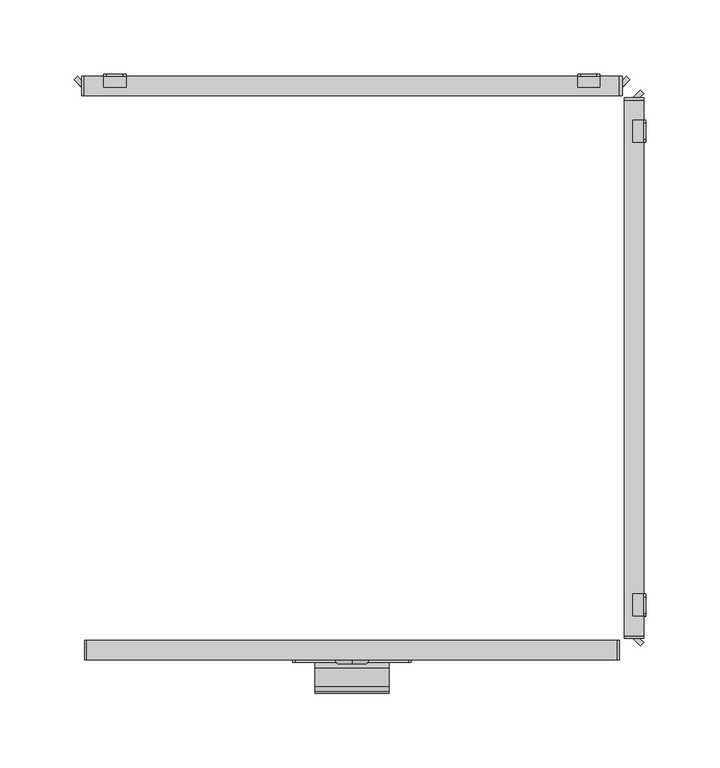
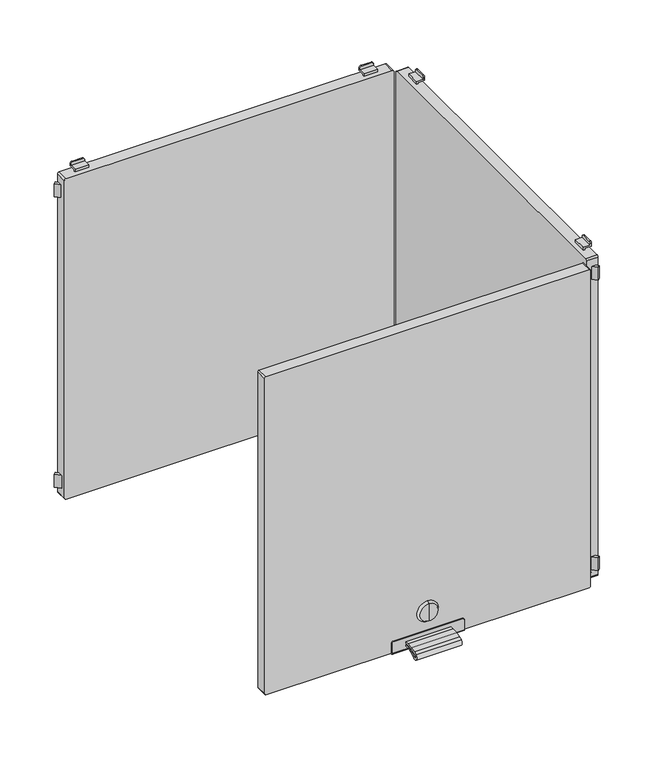
"""IFC4 building model written with IfcOpenShell, lengths in millimetres: furniture geometry."""

from ifc_helpers import new_model, si_unit, point, frame, frame_2d, origin, place, context, project, spatial, polyline, circle_curve, trimmed, segment, composite_curve, outline, extrude, source, transform, mapped, element, save
from ifc_brep_helpers import plane_surface, cylinder_surface, revolved_surface, advanced_brep


def furniture_a2011764(model_context):
    return source(origin(), model_context, "Body", "SolidModel", [
        extrude(outline(composite_curve([segment(polyline([(-202.226909, 930.4286545), (-198.5, 930.4286545), (-198.5, 928.5286545), (-202.226909, 928.5286545)]), True, "CONTINUOUS"), segment(trimmed(circle_curve(frame_2d((-202.226909, 886.4886922)), 42.0399623), [point((-202.226909, 928.5286545))], [point((-214.4555436, 926.710812))], True, "CARTESIAN"), True, "CONTINUOUS"), segment(trimmed(circle_curve(frame_2d((-212.0259096, 918.7193203)), 8.352668), [point((-214.4555436, 926.710812))], [point((-216.9670362, 925.4537341))], True, "CARTESIAN"), True, "CONTINUOUS"), segment(trimmed(circle_curve(frame_2d((-215.7726745, 923.8259018)), 2.0189943), [point((-216.9670362, 925.4537341))], [point((-214.4167634, 922.3299595))], True, "CARTESIAN"), True, "CONTINUOUS"), segment(trimmed(circle_curve(frame_2d((-202.2269079, 908.8812021)), 18.1510786), [point((-214.4167634, 922.3299595))], [point((-202.2269079, 927.0322806))], False, "CARTESIAN"), True, "CONTINUOUS"), segment(polyline([(-202.2269079, 927.0322806), (-198.5, 927.0322806), (-198.5, 925.1322806), (-202.2269079, 925.1322806)]), True, "CONTINUOUS"), segment(trimmed(circle_curve(frame_2d((-202.2269079, 908.8812021)), 16.2510786), [point((-202.2269079, 925.1322806))], [point((-213.1407662, 920.9221843))], True, "CARTESIAN"), True, "CONTINUOUS"), segment(trimmed(circle_curve(frame_2d((-215.7726745, 923.8259018)), 3.9189943), [point((-213.1407662, 920.9221843))], [point((-218.0910053, 926.9856263))], False, "CARTESIAN"), True, "CONTINUOUS"), segment(trimmed(circle_curve(frame_2d((-212.0259096, 918.7193203)), 10.252668), [point((-218.0910053, 926.9856263))], [point((-215.0082179, 928.5286545))], False, "CARTESIAN"), True, "CONTINUOUS"), segment(trimmed(circle_curve(frame_2d((-202.226909, 886.4886922)), 43.9399623), [point((-215.0082179, 928.5286545))], [point((-202.226909, 930.4286545))], False, "CARTESIAN"), True, "CONTINUOUS")], self_intersect=False)), frame((-25.0, 0.0, 0.0), z_axis=(1.0, 0.0, 0.0), x_axis=(0.0, 1.0, 0.0)), (0.0, 0.0, 1.0), 50.0),
        advanced_brep(
        [(0.0, -199.7, 956.6837841), (0.0, -199.7, 966.6265951), (0.0, -199.7, 946.740973), (0.0, -197.0, 944.8059292), (0.0, -197.0, 968.5616389), (0.0, -197.0, 956.6837841)],
        [
            (0, 1),
            (1, 2, circle_curve(frame((0.0, -199.7, 956.6837841), z_axis=(0.0, -1.0, 0.0), x_axis=(0.0, 0.0, 1.0)), 9.9428111)),
            (2, 0),
            (2, 1, circle_curve(frame((0.0, -199.7, 956.6837841), z_axis=(0.0, -1.0, 0.0), x_axis=(0.0, 0.0, 1.0)), 9.9428111)),
            (3, 4, circle_curve(frame((0.0, -197.0, 956.6837841), z_axis=(0.0, 1.0, 0.0), x_axis=(0.0, 0.0, 1.0)), 11.8778548)),
            (4, 5),
            (5, 3),
            (4, 3, circle_curve(frame((0.0, -197.0, 956.6837841), z_axis=(0.0, 1.0, 0.0), x_axis=(0.0, 0.0, 1.0)), 11.8778548)),
            (1, 4),
            (3, 2),
        ],
        [
            plane_surface(frame((0.0, -199.7, 956.6837841), z_axis=(0.0, -1.0, 0.0), x_axis=(0.0, 0.0, 1.0))),
            plane_surface(frame((0.0, -197.0, 956.6837841), z_axis=(0.0, 1.0, 0.0), x_axis=(0.0, 0.0, 1.0))),
            revolved_surface(polyline([(0.0, -197.0, 968.5616389), (0.0, -199.7, 966.6265951)]), (0.0, -202.2563621, 956.6837841), (0.0, -1.0, 0.0)),
        ],
        [
            (0, [[1, 2, 3]]),
            (0, [[-3, 4, -1]]),
            (1, [[5, 6, 7]]),
            (1, [[8, -7, -6]]),
            (2, [[-2, 9, -5, 10]]),
            (2, [[-4, -10, -8, -9]]),
        ],
    ),
        advanced_brep(
        [(38.2, -198.5, 935.0), (-38.2, -198.5, 935.0), (-40.0, -198.5, 933.2), (-40.0, -198.5, 922.0), (40.0, -198.5, 922.0), (40.0, -198.5, 933.2), (38.2, -197.0, 935.0), (40.0, -197.0, 933.2), (40.0, -197.0, 921.5), (-40.0, -197.0, 921.5), (-40.0, -197.0, 933.2), (-38.2, -197.0, 935.0), (-40.0, -184.0, 921.5), (-40.0, -184.0, 920.0), (-40.0, -196.5, 920.0), (40.0, -196.5, 920.0), (40.0, -184.0, 920.0), (40.0, -184.0, 921.5)],
        [
            (0, 1),
            (1, 2, circle_curve(frame((-38.2, -198.5, 933.2), z_axis=(0.0, -1.0, 0.0), x_axis=(1.0, 0.0, 0.0)), 1.8)),
            (2, 3),
            (3, 4),
            (4, 5),
            (5, 0, circle_curve(frame((38.2, -198.5, 933.2), z_axis=(0.0, -1.0, 0.0), x_axis=(1.0, 0.0, 0.0)), 1.8)),
            (6, 7, circle_curve(frame((38.2, -197.0, 933.2), z_axis=(0.0, 1.0, 0.0), x_axis=(1.0, 0.0, 0.0)), 1.8)),
            (7, 8),
            (8, 9),
            (9, 10),
            (10, 11, circle_curve(frame((-38.2, -197.0, 933.2), z_axis=(0.0, 1.0, 0.0), x_axis=(1.0, 0.0, 0.0)), 1.8)),
            (11, 6),
            (0, 6),
            (11, 1),
            (10, 2),
            (9, 12),
            (12, 13),
            (13, 14),
            (14, 3, circle_curve(frame((-40.0, -196.5, 922.0), z_axis=(-1.0, 0.0, 0.0), x_axis=(0.0, 1.0, 0.0)), 2.0)),
            (4, 15, circle_curve(frame((40.0, -196.5, 922.0), z_axis=(1.0, 0.0, 0.0), x_axis=(0.0, 1.0, 0.0)), 2.0)),
            (15, 16),
            (16, 17),
            (17, 8),
            (7, 5),
            (15, 14),
            (13, 16),
            (12, 17),
        ],
        [
            plane_surface(frame((-40.0, -198.5, 935.0), z_axis=(0.0, -1.0, 0.0), x_axis=(-1.0, 0.0, 0.0))),
            plane_surface(frame((-40.0, -197.0, 935.0), z_axis=(0.0, 1.0, 0.0), x_axis=(1.0, 0.0, 0.0))),
            plane_surface(frame((38.2, -198.5, 935.0), z_axis=(0.0, 0.0, 1.0), x_axis=(0.0, 1.0, 0.0))),
            cylinder_surface(frame((-38.2, -197.0, 933.2), z_axis=(0.0, -1.0, 0.0), x_axis=(1.0, 0.0, 0.0)), 1.8),
            plane_surface(frame((-40.0, -198.5, 933.2), z_axis=(-1.0, 0.0, 0.0), x_axis=(0.0, 1.0, 0.0))),
            plane_surface(frame((40.0, -198.5, 924.5), z_axis=(1.0, 0.0, 0.0), x_axis=(0.0, 1.0, 0.0))),
            cylinder_surface(frame((38.2, -197.0, 933.2), z_axis=(0.0, -1.0, 0.0), x_axis=(1.0, 0.0, 0.0)), 1.8),
            plane_surface(frame((40.0, -196.5, 920.0), z_axis=(0.0, 0.0, -1.0), x_axis=(-1.0, 0.0, 0.0))),
            plane_surface(frame((40.0, -184.0, 920.0), z_axis=(0.0, 1.0, 0.0), x_axis=(-1.0, 0.0, 0.0))),
            plane_surface(frame((40.0, -184.0, 921.5), z_axis=(0.0, 0.0, 1.0), x_axis=(-1.0, 0.0, 0.0))),
            cylinder_surface(frame((-40.0, -196.5, 922.0), z_axis=(1.0, 0.0, 0.0), x_axis=(0.0, 1.0, 0.0)), 2.0),
        ],
        [
            (0, [[1, 2, 3, 4, 5, 6]]),
            (1, [[7, 8, 9, 10, 11, 12]]),
            (2, [[-1, 13, -12, 14]]),
            (3, [[-2, -14, -11, 15]]),
            (4, [[-3, -15, -10, 16, 17, 18, 19]]),
            (5, [[-5, 20, 21, 22, 23, -8, 24]]),
            (6, [[-6, -24, -7, -13]]),
            (7, [[-21, 25, -18, 26]]),
            (8, [[-22, -26, -17, 27]]),
            (9, [[-23, -27, -16, -9]]),
            (10, [[-20, -4, -19, -25]]),
        ],
    ),
        extrude(outline(composite_curve([segment(polyline([(1293.5, 179.0), (1293.5, -179.0)]), True, "CONTINUOUS"), segment(trimmed(circle_curve(frame_2d((1292.0, -179.0)), 1.5), [point((1293.5, -179.0))], [point((1292.0, -180.5))], False, "CARTESIAN"), True, "CONTINUOUS"), segment(polyline([(1292.0, -180.5), (923.0, -180.5)]), True, "CONTINUOUS"), segment(trimmed(circle_curve(frame_2d((923.0, -179.0)), 1.5), [point((923.0, -180.5))], [point((921.5, -179.0))], False, "CARTESIAN"), True, "CONTINUOUS"), segment(polyline([(921.5, -179.0), (921.5, 179.0)]), True, "CONTINUOUS"), segment(trimmed(circle_curve(frame_2d((923.0, 179.0)), 1.5), [point((921.5, 179.0))], [point((923.0, 180.5))], False, "CARTESIAN"), True, "CONTINUOUS"), segment(polyline([(923.0, 180.5), (1292.0, 180.5)]), True, "CONTINUOUS"), segment(trimmed(circle_curve(frame_2d((1292.0, 179.0)), 1.5), [point((1292.0, 180.5))], [point((1293.5, 179.0))], False, "CARTESIAN"), True, "CONTINUOUS")], self_intersect=False)), frame((0.0, -197.0, 0.0), z_axis=(0.0, 1.0, 0.0), x_axis=(0.0, 0.0, 1.0)), (0.0, 0.0, 1.0), 13.0),
        advanced_brep(
        [(152.5, 197.0, 915.5), (154.5, 197.0, 913.5), (165.5, 197.0, 913.5), (167.5, 197.0, 915.5), (167.5, 197.0, 917.0), (152.5, 197.0, 917.0), (152.5, 198.5, 918.5), (167.5, 198.5, 918.5), (167.5, 198.5, 915.5), (165.5, 198.5, 913.5), (154.5, 198.5, 913.5), (152.5, 198.5, 915.5), (152.5, 189.5011497, 917.0), (152.5, 189.5011497, 920.0), (152.5, 191.0011497, 920.0), (152.5, 191.0011497, 918.5), (167.5, 191.0011497, 918.5), (167.5, 191.0011497, 920.0), (167.5, 189.5011497, 920.0), (167.5, 189.5011497, 917.0)],
        [
            (0, 1, circle_curve(frame((154.5, 197.0, 915.5), z_axis=(0.0, -1.0, 0.0), x_axis=(1.0, 0.0, 0.0)), 2.0)),
            (1, 2),
            (2, 3, circle_curve(frame((165.5, 197.0, 915.5), z_axis=(0.0, -1.0, 0.0), x_axis=(1.0, 0.0, 0.0)), 2.0)),
            (3, 4),
            (4, 5),
            (5, 0),
            (6, 7),
            (7, 8),
            (8, 9, circle_curve(frame((165.5, 198.5, 915.5), z_axis=(0.0, 1.0, 0.0), x_axis=(1.0, 0.0, 0.0)), 2.0)),
            (9, 10),
            (10, 11, circle_curve(frame((154.5, 198.5, 915.5), z_axis=(0.0, 1.0, 0.0), x_axis=(1.0, 0.0, 0.0)), 2.0)),
            (11, 6),
            (11, 0),
            (5, 12),
            (12, 13),
            (13, 14),
            (14, 15),
            (15, 6),
            (10, 1),
            (9, 2),
            (8, 3),
            (7, 16),
            (16, 17),
            (17, 18),
            (18, 19),
            (19, 4),
            (15, 16),
            (12, 19),
            (18, 13),
            (17, 14),
        ],
        [
            plane_surface(frame((152.5, 197.0, 917.0), z_axis=(0.0, -1.0, 0.0), x_axis=(0.0, 0.0, -1.0))),
            plane_surface(frame((152.5, 198.5, 917.0), z_axis=(0.0, 1.0, 0.0), x_axis=(0.0, 0.0, 1.0))),
            plane_surface(frame((152.5, 197.0, 918.5), z_axis=(-1.0, 0.0, 0.0), x_axis=(0.0, 1.0, 0.0))),
            cylinder_surface(frame((154.5, 198.5, 915.5), z_axis=(0.0, -1.0, 0.0), x_axis=(1.0, 0.0, 0.0)), 2.0),
            plane_surface(frame((154.5, 197.0, 913.5), z_axis=(0.0, 0.0, -1.0), x_axis=(0.0, 1.0, 0.0))),
            cylinder_surface(frame((165.5, 198.5, 915.5), z_axis=(0.0, -1.0, 0.0), x_axis=(1.0, 0.0, 0.0)), 2.0),
            plane_surface(frame((167.5, 197.0, 915.5), z_axis=(1.0, 0.0, 0.0), x_axis=(0.0, 1.0, 0.0))),
            plane_surface(frame((167.5, 197.0, 918.5), z_axis=(0.0, 0.0, 1.0), x_axis=(0.0, 1.0, 0.0))),
            plane_surface(frame((152.5, 189.5011497, 917.0), z_axis=(0.0, -1.0, 0.0), x_axis=(1.0, 0.0, 0.0))),
            plane_surface(frame((152.5, 189.5011497, 920.0), z_axis=(0.0, 0.0, 1.0), x_axis=(1.0, 0.0, 0.0))),
            plane_surface(frame((152.5, 191.0011497, 920.0), z_axis=(0.0, 1.0, 0.0), x_axis=(1.0, 0.0, 0.0))),
            plane_surface(frame((152.5, 197.0, 917.0), z_axis=(0.0, 0.0, -1.0), x_axis=(1.0, 0.0, 0.0))),
        ],
        [
            (0, [[1, 2, 3, 4, 5, 6]]),
            (1, [[7, 8, 9, 10, 11, 12]]),
            (2, [[-12, 13, -6, 14, 15, 16, 17, 18]]),
            (3, [[-1, -13, -11, 19]]),
            (4, [[-2, -19, -10, 20]]),
            (5, [[-3, -20, -9, 21]]),
            (6, [[-8, 22, 23, 24, 25, 26, -4, -21]]),
            (7, [[-22, -7, -18, 27]]),
            (8, [[-15, 28, -25, 29]]),
            (9, [[-16, -29, -24, 30]]),
            (10, [[-17, -30, -23, -27]]),
            (11, [[-14, -5, -26, -28]]),
        ],
    ),
        advanced_brep(
        [(-167.5, 197.0, 915.5), (-165.5, 197.0, 913.5), (-154.5, 197.0, 913.5), (-152.5, 197.0, 915.5), (-152.5, 197.0, 917.0), (-167.5, 197.0, 917.0), (-152.5, 198.5, 918.5), (-152.5, 198.5, 915.5), (-154.5, 198.5, 913.5), (-165.5, 198.5, 913.5), (-167.5, 198.5, 915.5), (-167.5, 198.5, 918.5), (-167.5, 191.0011497, 918.5), (-152.5, 191.0011497, 918.5), (-167.5, 189.5011497, 917.0), (-167.5, 189.5011497, 920.0), (-167.5, 191.0011497, 920.0), (-152.5, 191.0011497, 920.0), (-152.5, 189.5011497, 920.0), (-152.5, 189.5011497, 917.0)],
        [
            (0, 1, circle_curve(frame((-165.5, 197.0, 915.5), z_axis=(0.0, -1.0, 0.0), x_axis=(1.0, 0.0, 0.0)), 2.0)),
            (1, 2),
            (2, 3, circle_curve(frame((-154.5, 197.0, 915.5), z_axis=(0.0, -1.0, 0.0), x_axis=(1.0, 0.0, 0.0)), 2.0)),
            (3, 4),
            (4, 5),
            (5, 0),
            (6, 7),
            (7, 8, circle_curve(frame((-154.5, 198.5, 915.5), z_axis=(0.0, 1.0, 0.0), x_axis=(1.0, 0.0, 0.0)), 2.0)),
            (8, 9),
            (9, 10, circle_curve(frame((-165.5, 198.5, 915.5), z_axis=(0.0, 1.0, 0.0), x_axis=(1.0, 0.0, 0.0)), 2.0)),
            (10, 11),
            (11, 6),
            (11, 12),
            (12, 13),
            (13, 6),
            (10, 0),
            (5, 14),
            (14, 15),
            (15, 16),
            (16, 12),
            (9, 1),
            (8, 2),
            (7, 3),
            (13, 17),
            (17, 18),
            (18, 19),
            (19, 4),
            (18, 15),
            (14, 19),
            (17, 16),
        ],
        [
            plane_surface(frame((152.5, 197.0, 917.0), z_axis=(0.0, -1.0, 0.0), x_axis=(0.0, 0.0, -1.0))),
            plane_surface(frame((152.5, 198.5, 917.0), z_axis=(0.0, 1.0, 0.0), x_axis=(0.0, 0.0, 1.0))),
            plane_surface(frame((-152.5, 197.0, 918.5), z_axis=(0.0, 0.0, 1.0), x_axis=(0.0, 1.0, 0.0))),
            plane_surface(frame((-167.5, 197.0, 918.5), z_axis=(-1.0, 0.0, 0.0), x_axis=(0.0, 1.0, 0.0))),
            cylinder_surface(frame((-165.5, 200.0, 915.5), z_axis=(0.0, -1.0, 0.0), x_axis=(1.0, 0.0, 0.0)), 2.0),
            plane_surface(frame((-165.5, 197.0, 913.5), z_axis=(0.0, 0.0, -1.0), x_axis=(0.0, 1.0, 0.0))),
            cylinder_surface(frame((-154.5, 200.0, 915.5), z_axis=(0.0, -1.0, 0.0), x_axis=(1.0, 0.0, 0.0)), 2.0),
            plane_surface(frame((-152.5, 197.0, 915.5), z_axis=(1.0, 0.0, 0.0), x_axis=(0.0, 1.0, 0.0))),
            plane_surface(frame((-152.5, 189.5011497, 920.0), z_axis=(0.0, -1.0, 0.0), x_axis=(-1.0, 0.0, 0.0))),
            plane_surface(frame((-152.5, 191.0011497, 920.0), z_axis=(0.0, 0.0, 1.0), x_axis=(-1.0, 0.0, 0.0))),
            plane_surface(frame((-152.5, 191.0011497, 918.5), z_axis=(0.0, 1.0, 0.0), x_axis=(-1.0, 0.0, 0.0))),
            plane_surface(frame((-152.5, 189.5011497, 917.0), z_axis=(0.0, 0.0, -1.0), x_axis=(-1.0, 0.0, 0.0))),
        ],
        [
            (0, [[1, 2, 3, 4, 5, 6]]),
            (1, [[7, 8, 9, 10, 11, 12]]),
            (2, [[-12, 13, 14, 15]]),
            (3, [[-11, 16, -6, 17, 18, 19, 20, -13]]),
            (4, [[-1, -16, -10, 21]]),
            (5, [[-2, -21, -9, 22]]),
            (6, [[-3, -22, -8, 23]]),
            (7, [[-7, -15, 24, 25, 26, 27, -4, -23]]),
            (8, [[-26, 28, -18, 29]]),
            (9, [[-25, 30, -19, -28]]),
            (10, [[-24, -14, -20, -30]]),
            (11, [[-27, -29, -17, -5]]),
        ],
    ),
        advanced_brep(
        [(167.5, 197.0, 1299.5), (165.5, 197.0, 1301.5), (154.5, 197.0, 1301.5), (152.5, 197.0, 1299.5), (152.5, 197.0, 1298.0), (167.5, 197.0, 1298.0), (152.5, 198.5, 1296.5), (152.5, 198.5, 1299.5), (154.5, 198.5, 1301.5), (165.5, 198.5, 1301.5), (167.5, 198.5, 1299.5), (167.5, 198.5, 1296.5), (152.5, 189.5011497, 1298.0), (152.5, 191.0011497, 1296.5), (152.5, 191.0011497, 1295.0), (152.5, 189.5011497, 1295.0), (167.5, 189.5011497, 1298.0), (167.5, 189.5011497, 1295.0), (167.5, 191.0011497, 1295.0), (167.5, 191.0011497, 1296.5)],
        [
            (0, 1, circle_curve(frame((165.5, 197.0, 1299.5), z_axis=(0.0, -1.0, 0.0), x_axis=(1.0, 0.0, 0.0)), 2.0)),
            (1, 2),
            (2, 3, circle_curve(frame((154.5, 197.0, 1299.5), z_axis=(0.0, -1.0, 0.0), x_axis=(1.0, 0.0, 0.0)), 2.0)),
            (3, 4),
            (4, 5),
            (5, 0),
            (6, 7),
            (7, 8, circle_curve(frame((154.5, 198.5, 1299.5), z_axis=(0.0, 1.0, 0.0), x_axis=(1.0, 0.0, 0.0)), 2.0)),
            (8, 9),
            (9, 10, circle_curve(frame((165.5, 198.5, 1299.5), z_axis=(0.0, 1.0, 0.0), x_axis=(1.0, 0.0, 0.0)), 2.0)),
            (10, 11),
            (11, 6),
            (12, 4),
            (3, 7),
            (6, 13),
            (13, 14),
            (14, 15),
            (15, 12),
            (16, 17),
            (17, 18),
            (18, 19),
            (19, 11),
            (10, 0),
            (5, 16),
            (19, 13),
            (9, 1),
            (8, 2),
            (12, 16),
            (18, 14),
            (17, 15),
        ],
        [
            plane_surface(frame((152.5, 197.0, 917.0), z_axis=(0.0, -1.0, 0.0), x_axis=(0.0, 0.0, -1.0))),
            plane_surface(frame((152.5, 198.5, 917.0), z_axis=(0.0, 1.0, 0.0), x_axis=(0.0, 0.0, 1.0))),
            plane_surface(frame((152.5, 197.0, 918.5), z_axis=(-1.0, 0.0, 0.0), x_axis=(0.0, 1.0, 0.0))),
            plane_surface(frame((167.5, 197.0, 915.5), z_axis=(1.0, 0.0, 0.0), x_axis=(0.0, 1.0, 0.0))),
            plane_surface(frame((152.5, 197.0, 1296.5), z_axis=(0.0, 0.0, -1.0), x_axis=(0.0, 1.0, 0.0))),
            cylinder_surface(frame((165.5, 200.0, 1299.5), z_axis=(0.0, -1.0, 0.0), x_axis=(1.0, 0.0, 0.0)), 2.0),
            plane_surface(frame((165.5, 197.0, 1301.5), z_axis=(0.0, 0.0, 1.0), x_axis=(0.0, 1.0, 0.0))),
            cylinder_surface(frame((154.5, 200.0, 1299.5), z_axis=(0.0, -1.0, 0.0), x_axis=(1.0, 0.0, 0.0)), 2.0),
            plane_surface(frame((152.5, 189.5011497, 1298.0), z_axis=(0.0, 0.0, 1.0), x_axis=(1.0, 0.0, 0.0))),
            plane_surface(frame((152.5, 191.0011497, 1296.5), z_axis=(0.0, 1.0, 0.0), x_axis=(1.0, 0.0, 0.0))),
            plane_surface(frame((152.5, 191.0011497, 1295.0), z_axis=(0.0, 0.0, -1.0), x_axis=(1.0, 0.0, 0.0))),
            plane_surface(frame((152.5, 189.5011497, 1295.0), z_axis=(0.0, -1.0, 0.0), x_axis=(1.0, 0.0, 0.0))),
        ],
        [
            (0, [[1, 2, 3, 4, 5, 6]]),
            (1, [[7, 8, 9, 10, 11, 12]]),
            (2, [[13, -4, 14, -7, 15, 16, 17, 18]]),
            (3, [[19, 20, 21, 22, -11, 23, -6, 24]]),
            (4, [[-15, -12, -22, 25]]),
            (5, [[-1, -23, -10, 26]]),
            (6, [[-2, -26, -9, 27]]),
            (7, [[-3, -27, -8, -14]]),
            (8, [[-13, 28, -24, -5]]),
            (9, [[-16, -25, -21, 29]]),
            (10, [[-17, -29, -20, 30]]),
            (11, [[-18, -30, -19, -28]]),
        ],
    ),
        advanced_brep(
        [(-152.5, 197.0, 1299.5), (-154.5, 197.0, 1301.5), (-165.5, 197.0, 1301.5), (-167.5, 197.0, 1299.5), (-167.5, 197.0, 1298.0), (-152.5, 197.0, 1298.0), (-152.5, 198.5, 1296.5), (-167.5, 198.5, 1296.5), (-167.5, 198.5, 1299.5), (-165.5, 198.5, 1301.5), (-154.5, 198.5, 1301.5), (-152.5, 198.5, 1299.5), (-167.5, 191.0011497, 1296.5), (-167.5, 191.0011497, 1295.0), (-167.5, 189.5011497, 1295.0), (-167.5, 189.5011497, 1298.0), (-152.5, 189.5011497, 1298.0), (-152.5, 189.5011497, 1295.0), (-152.5, 191.0011497, 1295.0), (-152.5, 191.0011497, 1296.5)],
        [
            (0, 1, circle_curve(frame((-154.5, 197.0, 1299.5), z_axis=(0.0, -1.0, 0.0), x_axis=(1.0, 0.0, 0.0)), 2.0)),
            (1, 2),
            (2, 3, circle_curve(frame((-165.5, 197.0, 1299.5), z_axis=(0.0, -1.0, 0.0), x_axis=(1.0, 0.0, 0.0)), 2.0)),
            (3, 4),
            (4, 5),
            (5, 0),
            (6, 7),
            (7, 8),
            (8, 9, circle_curve(frame((-165.5, 198.5, 1299.5), z_axis=(0.0, 1.0, 0.0), x_axis=(1.0, 0.0, 0.0)), 2.0)),
            (9, 10),
            (10, 11, circle_curve(frame((-154.5, 198.5, 1299.5), z_axis=(0.0, 1.0, 0.0), x_axis=(1.0, 0.0, 0.0)), 2.0)),
            (11, 6),
            (7, 12),
            (12, 13),
            (13, 14),
            (14, 15),
            (15, 4),
            (3, 8),
            (11, 0),
            (5, 16),
            (16, 17),
            (17, 18),
            (18, 19),
            (19, 6),
            (10, 1),
            (9, 2),
            (19, 12),
            (15, 16),
            (18, 13),
            (17, 14),
        ],
        [
            plane_surface(frame((152.5, 197.0, 917.0), z_axis=(0.0, -1.0, 0.0), x_axis=(0.0, 0.0, -1.0))),
            plane_surface(frame((152.5, 198.5, 917.0), z_axis=(0.0, 1.0, 0.0), x_axis=(0.0, 0.0, 1.0))),
            plane_surface(frame((-167.5, 197.0, 918.5), z_axis=(-1.0, 0.0, 0.0), x_axis=(0.0, 1.0, 0.0))),
            plane_surface(frame((-152.5, 197.0, 915.5), z_axis=(1.0, 0.0, 0.0), x_axis=(0.0, 1.0, 0.0))),
            cylinder_surface(frame((-154.5, 200.0, 1299.5), z_axis=(0.0, -1.0, 0.0), x_axis=(1.0, 0.0, 0.0)), 2.0),
            plane_surface(frame((-154.5, 197.0, 1301.5), z_axis=(0.0, 0.0, 1.0), x_axis=(0.0, 1.0, 0.0))),
            cylinder_surface(frame((-165.5, 200.0, 1299.5), z_axis=(0.0, -1.0, 0.0), x_axis=(1.0, 0.0, 0.0)), 2.0),
            plane_surface(frame((-167.5, 197.0, 1296.5), z_axis=(0.0, 0.0, -1.0), x_axis=(0.0, 1.0, 0.0))),
            plane_surface(frame((-152.5, 197.0, 1298.0), z_axis=(0.0, 0.0, 1.0), x_axis=(-1.0, 0.0, 0.0))),
            plane_surface(frame((-152.5, 191.0011497, 1295.0), z_axis=(0.0, 1.0, 0.0), x_axis=(-1.0, 0.0, 0.0))),
            plane_surface(frame((-152.5, 189.5011497, 1295.0), z_axis=(0.0, 0.0, -1.0), x_axis=(-1.0, 0.0, 0.0))),
            plane_surface(frame((-152.5, 189.5011497, 1298.0), z_axis=(0.0, -1.0, 0.0), x_axis=(-1.0, 0.0, 0.0))),
        ],
        [
            (0, [[1, 2, 3, 4, 5, 6]]),
            (1, [[7, 8, 9, 10, 11, 12]]),
            (2, [[-8, 13, 14, 15, 16, 17, -4, 18]]),
            (3, [[-12, 19, -6, 20, 21, 22, 23, 24]]),
            (4, [[-1, -19, -11, 25]]),
            (5, [[-2, -25, -10, 26]]),
            (6, [[-3, -26, -9, -18]]),
            (7, [[-7, -24, 27, -13]]),
            (8, [[-20, -5, -17, 28]]),
            (9, [[-23, 29, -14, -27]]),
            (10, [[-22, 30, -15, -29]]),
            (11, [[-21, -28, -16, -30]]),
        ],
    ),
        extrude(outline(polyline([(-185.3223305, 197.0), (-182.5, 194.1776695), (-182.5, 189.5011497), (-187.6605904, 194.6617401), (-185.3223305, 197.0)])), frame((0.0, 0.0, 930.0), z_axis=(0.0, 0.0, 1.0), x_axis=(1.0, 0.0, 0.0)), (0.0, 0.0, 1.0), 15.0),
        extrude(outline(polyline([(185.3223305, 197.0), (187.6605904, 194.6617401), (182.5, 189.5011497), (182.5, 194.1776695), (185.3223305, 197.0)])), frame((0.0, 0.0, 930.0), z_axis=(0.0, 0.0, 1.0), x_axis=(1.0, 0.0, 0.0)), (0.0, 0.0, 1.0), 15.0),
        extrude(outline(composite_curve([segment(trimmed(circle_curve(frame_2d((1293.2, 180.7)), 1.8), [point((1293.2, 182.5))], [point((1295.0, 180.7))], False, "CARTESIAN"), True, "CONTINUOUS"), segment(polyline([(1295.0, 180.7), (1295.0, -180.7)]), True, "CONTINUOUS"), segment(trimmed(circle_curve(frame_2d((1293.2, -180.7)), 1.8), [point((1295.0, -180.7))], [point((1293.2, -182.5))], False, "CARTESIAN"), True, "CONTINUOUS"), segment(polyline([(1293.2, -182.5), (921.8, -182.5)]), True, "CONTINUOUS"), segment(trimmed(circle_curve(frame_2d((921.8, -180.7)), 1.8), [point((921.8, -182.5))], [point((920.0, -180.7))], False, "CARTESIAN"), True, "CONTINUOUS"), segment(polyline([(920.0, -180.7), (920.0, 180.7)]), True, "CONTINUOUS"), segment(trimmed(circle_curve(frame_2d((921.8, 180.7)), 1.8), [point((920.0, 180.7))], [point((921.8, 182.5))], False, "CARTESIAN"), True, "CONTINUOUS"), segment(polyline([(921.8, 182.5), (1293.2, 182.5)]), True, "CONTINUOUS")], self_intersect=False)), frame((0.0, 183.999795, 0.0), z_axis=(0.0, 1.0, 0.0), x_axis=(0.0, 0.0, 1.0)), (0.0, 0.0, 1.0), 13.000205),
        extrude(outline(polyline([(-185.3223305, 197.0), (-182.5, 194.1776695), (-182.5, 189.5011497), (-187.6605904, 194.6617401), (-185.3223305, 197.0)])), frame((0.0, 0.0, 1270.0), z_axis=(0.0, 0.0, 1.0), x_axis=(1.0, 0.0, 0.0)), (0.0, 0.0, 1.0), 15.0),
        extrude(outline(polyline([(185.3223305, 197.0), (187.6605904, 194.6617401), (182.5, 189.5011497), (182.5, 194.1776695), (185.3223305, 197.0)])), frame((0.0, 0.0, 1270.0), z_axis=(0.0, 0.0, 1.0), x_axis=(1.0, 0.0, 0.0)), (0.0, 0.0, 1.0), 15.0),
        advanced_brep(
        [(197.0, 152.5, 915.5), (197.0, 152.5, 917.0), (197.0, 167.5, 917.0), (197.0, 167.5, 915.5), (197.0, 165.5, 913.5), (197.0, 154.5, 913.5), (198.5, 152.5, 918.5), (198.5, 152.5, 915.5), (198.5, 154.5, 913.5), (198.5, 165.5, 913.5), (198.5, 167.5, 915.5), (198.5, 167.5, 918.5), (191.0011497, 152.5, 918.5), (191.0011497, 152.5, 920.0), (189.5011497, 152.5, 920.0), (189.5011497, 152.5, 917.0), (189.5011497, 167.5, 917.0), (189.5011497, 167.5, 920.0), (191.0011497, 167.5, 920.0), (191.0011497, 167.5, 918.5)],
        [
            (0, 1),
            (1, 2),
            (2, 3),
            (3, 4, circle_curve(frame((197.0, 165.5, 915.5), z_axis=(-1.0, 0.0, 0.0), x_axis=(0.0, 1.0, 0.0)), 2.0)),
            (4, 5),
            (5, 0, circle_curve(frame((197.0, 154.5, 915.5), z_axis=(-1.0, 0.0, 0.0), x_axis=(0.0, 1.0, 0.0)), 2.0)),
            (6, 7),
            (7, 8, circle_curve(frame((198.5, 154.5, 915.5), z_axis=(1.0, 0.0, 0.0), x_axis=(0.0, 1.0, 0.0)), 2.0)),
            (8, 9),
            (9, 10, circle_curve(frame((198.5, 165.5, 915.5), z_axis=(1.0, 0.0, 0.0), x_axis=(0.0, 1.0, 0.0)), 2.0)),
            (10, 11),
            (11, 6),
            (6, 12),
            (12, 13),
            (13, 14),
            (14, 15),
            (15, 1),
            (0, 7),
            (5, 8),
            (4, 9),
            (3, 10),
            (2, 16),
            (16, 17),
            (17, 18),
            (18, 19),
            (19, 11),
            (19, 12),
            (14, 17),
            (16, 15),
            (13, 18),
        ],
        [
            plane_surface(frame((197.0, 152.5, 917.0), z_axis=(-1.0, 0.0, 0.0), x_axis=(0.0, 0.0, -1.0))),
            plane_surface(frame((198.5, 152.5, 917.0), z_axis=(1.0, 0.0, 0.0), x_axis=(0.0, 0.0, 1.0))),
            plane_surface(frame((197.0, 152.5, 918.5), z_axis=(0.0, -1.0, 0.0), x_axis=(1.0, 0.0, 0.0))),
            cylinder_surface(frame((198.5, 154.5, 915.5), z_axis=(-1.0, 0.0, 0.0), x_axis=(0.0, 1.0, 0.0)), 2.0),
            plane_surface(frame((197.0, 154.5, 913.5), z_axis=(0.0, 0.0, -1.0), x_axis=(1.0, 0.0, 0.0))),
            cylinder_surface(frame((198.5, 165.5, 915.5), z_axis=(-1.0, 0.0, 0.0), x_axis=(0.0, 1.0, 0.0)), 2.0),
            plane_surface(frame((197.0, 167.5, 915.5), z_axis=(0.0, 1.0, 0.0), x_axis=(1.0, 0.0, 0.0))),
            plane_surface(frame((197.0, 167.5, 918.5), z_axis=(0.0, 0.0, 1.0), x_axis=(1.0, 0.0, 0.0))),
            plane_surface(frame((189.5011497, 152.5, 917.0), z_axis=(-1.0, 0.0, 0.0), x_axis=(0.0, 1.0, 0.0))),
            plane_surface(frame((189.5011497, 152.5, 920.0), z_axis=(0.0, 0.0, 1.0), x_axis=(0.0, 1.0, 0.0))),
            plane_surface(frame((191.0011497, 152.5, 920.0), z_axis=(1.0, 0.0, 0.0), x_axis=(0.0, 1.0, 0.0))),
            plane_surface(frame((197.0, 152.5, 917.0), z_axis=(0.0, 0.0, -1.0), x_axis=(0.0, 1.0, 0.0))),
        ],
        [
            (0, [[1, 2, 3, 4, 5, 6]]),
            (1, [[7, 8, 9, 10, 11, 12]]),
            (2, [[13, 14, 15, 16, 17, -1, 18, -7]]),
            (3, [[19, -8, -18, -6]]),
            (4, [[20, -9, -19, -5]]),
            (5, [[21, -10, -20, -4]]),
            (6, [[-21, -3, 22, 23, 24, 25, 26, -11]]),
            (7, [[27, -13, -12, -26]]),
            (8, [[28, -23, 29, -16]]),
            (9, [[30, -24, -28, -15]]),
            (10, [[-27, -25, -30, -14]]),
            (11, [[-29, -22, -2, -17]]),
        ],
    ),
        advanced_brep(
        [(197.0, -167.5, 915.5), (197.0, -167.5, 917.0), (197.0, -152.5, 917.0), (197.0, -152.5, 915.5), (197.0, -154.5, 913.5), (197.0, -165.5, 913.5), (198.5, -152.5, 918.5), (198.5, -167.5, 918.5), (198.5, -167.5, 915.5), (198.5, -165.5, 913.5), (198.5, -154.5, 913.5), (198.5, -152.5, 915.5), (191.0011497, -152.5, 918.5), (191.0011497, -167.5, 918.5), (191.0011497, -167.5, 920.0), (189.5011497, -167.5, 920.0), (189.5011497, -167.5, 917.0), (189.5011497, -152.5, 917.0), (189.5011497, -152.5, 920.0), (191.0011497, -152.5, 920.0)],
        [
            (0, 1),
            (1, 2),
            (2, 3),
            (3, 4, circle_curve(frame((197.0, -154.5, 915.5), z_axis=(-1.0, 0.0, 0.0), x_axis=(0.0, 1.0, 0.0)), 2.0)),
            (4, 5),
            (5, 0, circle_curve(frame((197.0, -165.5, 915.5), z_axis=(-1.0, 0.0, 0.0), x_axis=(0.0, 1.0, 0.0)), 2.0)),
            (6, 7),
            (7, 8),
            (8, 9, circle_curve(frame((198.5, -165.5, 915.5), z_axis=(1.0, 0.0, 0.0), x_axis=(0.0, 1.0, 0.0)), 2.0)),
            (9, 10),
            (10, 11, circle_curve(frame((198.5, -154.5, 915.5), z_axis=(1.0, 0.0, 0.0), x_axis=(0.0, 1.0, 0.0)), 2.0)),
            (11, 6),
            (6, 12),
            (12, 13),
            (13, 7),
            (13, 14),
            (14, 15),
            (15, 16),
            (16, 1),
            (0, 8),
            (5, 9),
            (4, 10),
            (3, 11),
            (2, 17),
            (17, 18),
            (18, 19),
            (19, 12),
            (17, 16),
            (15, 18),
            (14, 19),
        ],
        [
            plane_surface(frame((197.0, 152.5, 917.0), z_axis=(-1.0, 0.0, 0.0), x_axis=(0.0, 0.0, -1.0))),
            plane_surface(frame((198.5, 152.5, 917.0), z_axis=(1.0, 0.0, 0.0), x_axis=(0.0, 0.0, 1.0))),
            plane_surface(frame((197.0, -152.5, 918.5), z_axis=(0.0, 0.0, 1.0), x_axis=(1.0, 0.0, 0.0))),
            plane_surface(frame((197.0, -167.5, 918.5), z_axis=(0.0, -1.0, 0.0), x_axis=(1.0, 0.0, 0.0))),
            cylinder_surface(frame((200.0, -165.5, 915.5), z_axis=(-1.0, 0.0, 0.0), x_axis=(0.0, 1.0, 0.0)), 2.0),
            plane_surface(frame((197.0, -165.5, 913.5), z_axis=(0.0, 0.0, -1.0), x_axis=(1.0, 0.0, 0.0))),
            cylinder_surface(frame((200.0, -154.5, 915.5), z_axis=(-1.0, 0.0, 0.0), x_axis=(0.0, 1.0, 0.0)), 2.0),
            plane_surface(frame((197.0, -152.5, 915.5), z_axis=(0.0, 1.0, 0.0), x_axis=(1.0, 0.0, 0.0))),
            plane_surface(frame((189.5011497, -152.5, 920.0), z_axis=(-1.0, 0.0, 0.0), x_axis=(0.0, -1.0, 0.0))),
            plane_surface(frame((191.0011497, -152.5, 920.0), z_axis=(0.0, 0.0, 1.0), x_axis=(0.0, -1.0, 0.0))),
            plane_surface(frame((191.0011497, -152.5, 918.5), z_axis=(1.0, 0.0, 0.0), x_axis=(0.0, -1.0, 0.0))),
            plane_surface(frame((189.5011497, -152.5, 917.0), z_axis=(0.0, 0.0, -1.0), x_axis=(0.0, -1.0, 0.0))),
        ],
        [
            (0, [[1, 2, 3, 4, 5, 6]]),
            (1, [[7, 8, 9, 10, 11, 12]]),
            (2, [[13, 14, 15, -7]]),
            (3, [[-15, 16, 17, 18, 19, -1, 20, -8]]),
            (4, [[21, -9, -20, -6]]),
            (5, [[22, -10, -21, -5]]),
            (6, [[23, -11, -22, -4]]),
            (7, [[-23, -3, 24, 25, 26, 27, -13, -12]]),
            (8, [[28, -18, 29, -25]]),
            (9, [[-29, -17, 30, -26]]),
            (10, [[-30, -16, -14, -27]]),
            (11, [[-2, -19, -28, -24]]),
        ],
    ),
        advanced_brep(
        [(197.0, 167.5, 1299.5), (197.0, 167.5, 1298.0), (197.0, 152.5, 1298.0), (197.0, 152.5, 1299.5), (197.0, 154.5, 1301.5), (197.0, 165.5, 1301.5), (198.5, 152.5, 1296.5), (198.5, 167.5, 1296.5), (198.5, 167.5, 1299.5), (198.5, 165.5, 1301.5), (198.5, 154.5, 1301.5), (198.5, 152.5, 1299.5), (189.5011497, 152.5, 1298.0), (189.5011497, 152.5, 1295.0), (191.0011497, 152.5, 1295.0), (191.0011497, 152.5, 1296.5), (189.5011497, 167.5, 1298.0), (191.0011497, 167.5, 1296.5), (191.0011497, 167.5, 1295.0), (189.5011497, 167.5, 1295.0)],
        [
            (0, 1),
            (1, 2),
            (2, 3),
            (3, 4, circle_curve(frame((197.0, 154.5, 1299.5), z_axis=(-1.0, 0.0, 0.0), x_axis=(0.0, 1.0, 0.0)), 2.0)),
            (4, 5),
            (5, 0, circle_curve(frame((197.0, 165.5, 1299.5), z_axis=(-1.0, 0.0, 0.0), x_axis=(0.0, 1.0, 0.0)), 2.0)),
            (6, 7),
            (7, 8),
            (8, 9, circle_curve(frame((198.5, 165.5, 1299.5), z_axis=(1.0, 0.0, 0.0), x_axis=(0.0, 1.0, 0.0)), 2.0)),
            (9, 10),
            (10, 11, circle_curve(frame((198.5, 154.5, 1299.5), z_axis=(1.0, 0.0, 0.0), x_axis=(0.0, 1.0, 0.0)), 2.0)),
            (11, 6),
            (12, 13),
            (13, 14),
            (14, 15),
            (15, 6),
            (11, 3),
            (2, 12),
            (16, 1),
            (0, 8),
            (7, 17),
            (17, 18),
            (18, 19),
            (19, 16),
            (15, 17),
            (5, 9),
            (4, 10),
            (16, 12),
            (14, 18),
            (13, 19),
        ],
        [
            plane_surface(frame((197.0, 152.5, 917.0), z_axis=(-1.0, 0.0, 0.0), x_axis=(0.0, 0.0, -1.0))),
            plane_surface(frame((198.5, 152.5, 917.0), z_axis=(1.0, 0.0, 0.0), x_axis=(0.0, 0.0, 1.0))),
            plane_surface(frame((197.0, 152.5, 918.5), z_axis=(0.0, -1.0, 0.0), x_axis=(1.0, 0.0, 0.0))),
            plane_surface(frame((197.0, 167.5, 915.5), z_axis=(0.0, 1.0, 0.0), x_axis=(1.0, 0.0, 0.0))),
            plane_surface(frame((197.0, 152.5, 1296.5), z_axis=(0.0, 0.0, -1.0), x_axis=(1.0, 0.0, 0.0))),
            cylinder_surface(frame((200.0, 165.5, 1299.5), z_axis=(-1.0, 0.0, 0.0), x_axis=(0.0, 1.0, 0.0)), 2.0),
            plane_surface(frame((197.0, 165.5, 1301.5), z_axis=(0.0, 0.0, 1.0), x_axis=(1.0, 0.0, 0.0))),
            cylinder_surface(frame((200.0, 154.5, 1299.5), z_axis=(-1.0, 0.0, 0.0), x_axis=(0.0, 1.0, 0.0)), 2.0),
            plane_surface(frame((189.5011497, 152.5, 1298.0), z_axis=(0.0, 0.0, 1.0), x_axis=(0.0, 1.0, 0.0))),
            plane_surface(frame((191.0011497, 152.5, 1296.5), z_axis=(1.0, 0.0, 0.0), x_axis=(0.0, 1.0, 0.0))),
            plane_surface(frame((191.0011497, 152.5, 1295.0), z_axis=(0.0, 0.0, -1.0), x_axis=(0.0, 1.0, 0.0))),
            plane_surface(frame((189.5011497, 152.5, 1295.0), z_axis=(-1.0, 0.0, 0.0), x_axis=(0.0, 1.0, 0.0))),
        ],
        [
            (0, [[1, 2, 3, 4, 5, 6]]),
            (1, [[7, 8, 9, 10, 11, 12]]),
            (2, [[13, 14, 15, 16, -12, 17, -3, 18]]),
            (3, [[19, -1, 20, -8, 21, 22, 23, 24]]),
            (4, [[25, -21, -7, -16]]),
            (5, [[26, -9, -20, -6]]),
            (6, [[27, -10, -26, -5]]),
            (7, [[-17, -11, -27, -4]]),
            (8, [[-2, -19, 28, -18]]),
            (9, [[29, -22, -25, -15]]),
            (10, [[30, -23, -29, -14]]),
            (11, [[-28, -24, -30, -13]]),
        ],
    ),
        advanced_brep(
        [(197.0, -152.5, 1299.5), (197.0, -152.5, 1298.0), (197.0, -167.5, 1298.0), (197.0, -167.5, 1299.5), (197.0, -165.5, 1301.5), (197.0, -154.5, 1301.5), (198.5, -152.5, 1296.5), (198.5, -152.5, 1299.5), (198.5, -154.5, 1301.5), (198.5, -165.5, 1301.5), (198.5, -167.5, 1299.5), (198.5, -167.5, 1296.5), (189.5011497, -167.5, 1298.0), (189.5011497, -167.5, 1295.0), (191.0011497, -167.5, 1295.0), (191.0011497, -167.5, 1296.5), (191.0011497, -152.5, 1296.5), (191.0011497, -152.5, 1295.0), (189.5011497, -152.5, 1295.0), (189.5011497, -152.5, 1298.0)],
        [
            (0, 1),
            (1, 2),
            (2, 3),
            (3, 4, circle_curve(frame((197.0, -165.5, 1299.5), z_axis=(-1.0, 0.0, 0.0), x_axis=(0.0, 1.0, 0.0)), 2.0)),
            (4, 5),
            (5, 0, circle_curve(frame((197.0, -154.5, 1299.5), z_axis=(-1.0, 0.0, 0.0), x_axis=(0.0, 1.0, 0.0)), 2.0)),
            (6, 7),
            (7, 8, circle_curve(frame((198.5, -154.5, 1299.5), z_axis=(1.0, 0.0, 0.0), x_axis=(0.0, 1.0, 0.0)), 2.0)),
            (8, 9),
            (9, 10, circle_curve(frame((198.5, -165.5, 1299.5), z_axis=(1.0, 0.0, 0.0), x_axis=(0.0, 1.0, 0.0)), 2.0)),
            (10, 11),
            (11, 6),
            (10, 3),
            (2, 12),
            (12, 13),
            (13, 14),
            (14, 15),
            (15, 11),
            (6, 16),
            (16, 17),
            (17, 18),
            (18, 19),
            (19, 1),
            (0, 7),
            (5, 8),
            (4, 9),
            (15, 16),
            (19, 12),
            (14, 17),
            (13, 18),
        ],
        [
            plane_surface(frame((197.0, 152.5, 917.0), z_axis=(-1.0, 0.0, 0.0), x_axis=(0.0, 0.0, -1.0))),
            plane_surface(frame((198.5, 152.5, 917.0), z_axis=(1.0, 0.0, 0.0), x_axis=(0.0, 0.0, 1.0))),
            plane_surface(frame((197.0, -167.5, 918.5), z_axis=(0.0, -1.0, 0.0), x_axis=(1.0, 0.0, 0.0))),
            plane_surface(frame((197.0, -152.5, 915.5), z_axis=(0.0, 1.0, 0.0), x_axis=(1.0, 0.0, 0.0))),
            cylinder_surface(frame((200.0, -154.5, 1299.5), z_axis=(-1.0, 0.0, 0.0), x_axis=(0.0, 1.0, 0.0)), 2.0),
            plane_surface(frame((197.0, -154.5, 1301.5), z_axis=(0.0, 0.0, 1.0), x_axis=(1.0, 0.0, 0.0))),
            cylinder_surface(frame((200.0, -165.5, 1299.5), z_axis=(-1.0, 0.0, 0.0), x_axis=(0.0, 1.0, 0.0)), 2.0),
            plane_surface(frame((197.0, -167.5, 1296.5), z_axis=(0.0, 0.0, -1.0), x_axis=(1.0, 0.0, 0.0))),
            plane_surface(frame((197.0, -152.5, 1298.0), z_axis=(0.0, 0.0, 1.0), x_axis=(0.0, -1.0, 0.0))),
            plane_surface(frame((191.0011497, -152.5, 1295.0), z_axis=(1.0, 0.0, 0.0), x_axis=(0.0, -1.0, 0.0))),
            plane_surface(frame((189.5011497, -152.5, 1295.0), z_axis=(0.0, 0.0, -1.0), x_axis=(0.0, -1.0, 0.0))),
            plane_surface(frame((189.5011497, -152.5, 1298.0), z_axis=(-1.0, 0.0, 0.0), x_axis=(0.0, -1.0, 0.0))),
        ],
        [
            (0, [[1, 2, 3, 4, 5, 6]]),
            (1, [[7, 8, 9, 10, 11, 12]]),
            (2, [[13, -3, 14, 15, 16, 17, 18, -11]]),
            (3, [[19, 20, 21, 22, 23, -1, 24, -7]]),
            (4, [[25, -8, -24, -6]]),
            (5, [[26, -9, -25, -5]]),
            (6, [[-13, -10, -26, -4]]),
            (7, [[-18, 27, -19, -12]]),
            (8, [[28, -14, -2, -23]]),
            (9, [[-27, -17, 29, -20]]),
            (10, [[-29, -16, 30, -21]]),
            (11, [[-30, -15, -28, -22]]),
        ],
    ),
        extrude(outline(polyline([(197.0, 185.3223305), (194.1776695, 182.5), (189.5011497, 182.5), (194.6617401, 187.6605904), (197.0, 185.3223305)])), frame((0.0, 0.0, 930.0), z_axis=(0.0, 0.0, 1.0), x_axis=(1.0, 0.0, 0.0)), (0.0, 0.0, 1.0), 15.0),
        extrude(outline(polyline([(197.0, -185.3223305), (194.6617401, -187.6605904), (189.5011497, -182.5), (194.1776695, -182.5), (197.0, -185.3223305)])), frame((0.0, 0.0, 930.0), z_axis=(0.0, 0.0, 1.0), x_axis=(1.0, 0.0, 0.0)), (0.0, 0.0, 1.0), 15.0),
        extrude(outline(composite_curve([segment(polyline([(182.5, 1293.2), (182.5, 921.8)]), True, "CONTINUOUS"), segment(trimmed(circle_curve(frame_2d((180.7, 921.8)), 1.8), [point((182.5, 921.8))], [point((180.7, 920.0))], False, "CARTESIAN"), True, "CONTINUOUS"), segment(polyline([(180.7, 920.0), (-180.7, 920.0)]), True, "CONTINUOUS"), segment(trimmed(circle_curve(frame_2d((-180.7, 921.8)), 1.8), [point((-180.7, 920.0))], [point((-182.5, 921.8))], False, "CARTESIAN"), True, "CONTINUOUS"), segment(polyline([(-182.5, 921.8), (-182.5, 1293.2)]), True, "CONTINUOUS"), segment(trimmed(circle_curve(frame_2d((-180.7, 1293.2)), 1.8), [point((-182.5, 1293.2))], [point((-180.7, 1295.0))], False, "CARTESIAN"), True, "CONTINUOUS"), segment(polyline([(-180.7, 1295.0), (180.7, 1295.0)]), True, "CONTINUOUS"), segment(trimmed(circle_curve(frame_2d((180.7, 1293.2)), 1.8), [point((180.7, 1295.0))], [point((182.5, 1293.2))], False, "CARTESIAN"), True, "CONTINUOUS")], self_intersect=False)), frame((183.999795, 0.0, 0.0), z_axis=(1.0, 0.0, 0.0), x_axis=(0.0, 1.0, 0.0)), (0.0, 0.0, 1.0), 13.000205),
        extrude(outline(polyline([(197.0, 185.3223305), (194.1776695, 182.5), (189.5011497, 182.5), (194.6617401, 187.6605904), (197.0, 185.3223305)])), frame((0.0, 0.0, 1270.0), z_axis=(0.0, 0.0, 1.0), x_axis=(1.0, 0.0, 0.0)), (0.0, 0.0, 1.0), 15.0),
        extrude(outline(polyline([(197.0, -185.3223305), (194.6617401, -187.6605904), (189.5011497, -182.5), (194.1776695, -182.5), (197.0, -185.3223305)])), frame((0.0, 0.0, 1270.0), z_axis=(0.0, 0.0, 1.0), x_axis=(1.0, 0.0, 0.0)), (0.0, 0.0, 1.0), 15.0),
    ])


if __name__ == "__main__":
    model = new_model("IFC4")
    model_context = context("Model", 3, world=origin())
    ifc_project = project(units=[si_unit("LENGTHUNIT", "METRE", prefix="MILLI")], contexts=[model_context])
    site = spatial("IfcSite", under=ifc_project)
    building = spatial("IfcBuilding", under=site)
    placement = place(None, origin())
    furniture_shape = furniture_a2011764(model_context)
    element("IfcFurniture", 1, at=placement, inside=building, context=model_context, shape_type="MappedRepresentation", body=[
        mapped(furniture_shape, transform((0.0, 0.0, 0.0), x_axis=(1.0, 0.0, 0.0), y_axis=(0.0, 1.0, 0.0), z_axis=(0.0, 0.0, 1.0))),
    ])
    save(model, "model.ifc")
